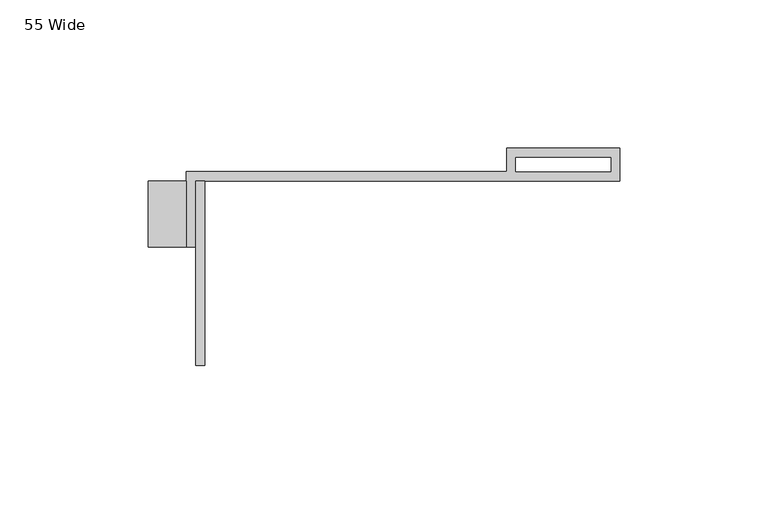
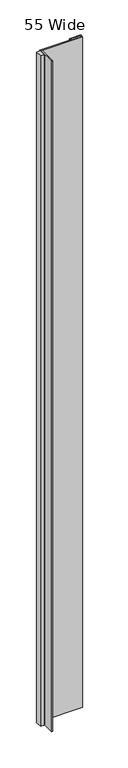
"""IFC4 building model written with IfcOpenShell, lengths in millimetres: proxy geometry, 55 Wide."""

from ifc_helpers import new_model, si_unit, origin, origin_with_axes, place, context, project, spatial, polyline, outline, extrude, source, transform, mapped, element, save


def proxy_55_wide_76c28055(model_context):
    return source(origin(), model_context, "Body", "SweptSolid", [
        extrude(outline(polyline([(-101.6, 0.0), (-101.6, -62.1392857), (-104.775, -62.1392857), (-104.775, 0.0), (-101.6, 0.0)])), origin_with_axes(), (0.0, 0.0, 1.0), 2438.4),
        extrude(outline(polyline([(-107.95, 0.0), (-107.95, -22.225), (-120.65, -22.225), (-120.65, 0.0), (-107.95, 0.0)])), origin_with_axes(), (0.0, 0.0, 1.0), 2438.4),
        extrude(outline(polyline([(-107.95, -22.225), (-107.95, 3.175), (0.0, 3.175), (0.0, 11.1125), (38.1, 11.1125), (38.1, 0.0), (-104.775, 0.0), (-104.775, -22.225), (-107.95, -22.225)]), holes=[polyline([(3.175, 3.175), (35.1499571, 3.175), (35.1499571, 7.9375), (3.175, 7.9375), (3.175, 3.175)])]), origin_with_axes(), (0.0, 0.0, 1.0), 2438.4),
    ])


if __name__ == "__main__":
    model = new_model("IFC4")
    model_context = context("Model", 3, world=origin())
    ifc_project = project(units=[si_unit("LENGTHUNIT", "METRE", prefix="MILLI")], contexts=[model_context])
    site = spatial("IfcSite", under=ifc_project)
    building = spatial("IfcBuilding", under=site)
    placement = place(None, origin())
    proxy_55_wide_shape = proxy_55_wide_76c28055(model_context)
    element("IfcBuildingElementProxy", 1, Name="55 Wide", ObjectType="55 Wide", at=placement, inside=building, context=model_context, shape_type="MappedRepresentation", body=[
        mapped(proxy_55_wide_shape, transform((0.0, 0.0, 0.0), x_axis=(1.0, 0.0, 0.0), y_axis=(0.0, 1.0, 0.0), z_axis=(0.0, 0.0, 1.0))),
    ])
    save(model, "model.ifc")
